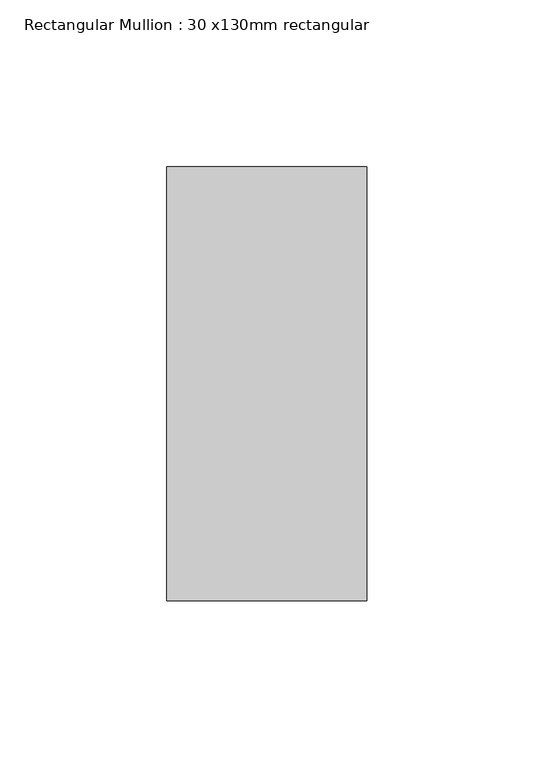
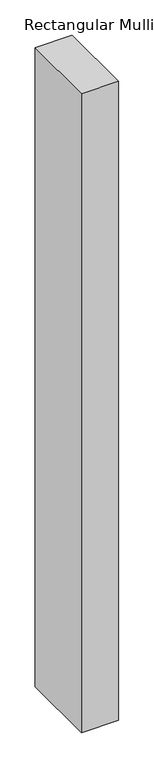
"""IFC4 building model written with IfcOpenShell, lengths in millimetres: member geometry, Rectangular Mullion : 30 x130mm rectangular."""

from ifc_helpers import new_model, si_unit, frame, origin, place, context, project, spatial, polyline, outline, extrude, source, transform, mapped, element, save


def rectangular_mullion_30_x130mm_rectangular_b74a6f85(model_context):
    return source(origin(), model_context, "Body", "SweptSolid", [
        extrude(outline(polyline([(0.0, 65.0), (0.0, -65.0), (-60.0, -65.0), (-60.0, 65.0), (0.0, 65.0)])), frame((0.0, 0.0, -1098.6456041), z_axis=(0.0, 0.0, 1.0), x_axis=(1.0, 0.0, 0.0)), (0.0, 0.0, 1.0), 1098.6456041),
    ])


if __name__ == "__main__":
    model = new_model("IFC4")
    model_context = context("Model", 3, world=origin())
    ifc_project = project(units=[si_unit("LENGTHUNIT", "METRE", prefix="MILLI")], contexts=[model_context])
    site = spatial("IfcSite", under=ifc_project)
    building = spatial("IfcBuilding", under=site)
    placement = place(None, origin())
    rectangular_mullion_30_x130mm_rectangular_shape = rectangular_mullion_30_x130mm_rectangular_b74a6f85(model_context)
    element("IfcMember", 1, ObjectType="Rectangular Mullion : 30 x130mm rectangular", at=placement, inside=building, context=model_context, shape_type="MappedRepresentation", body=[
        mapped(rectangular_mullion_30_x130mm_rectangular_shape, transform((0.0, 0.0, 0.0), x_axis=(1.0, 0.0, 0.0), y_axis=(0.0, 1.0, 0.0), z_axis=(0.0, 0.0, 1.0))),
    ])
    save(model, "model.ifc")
